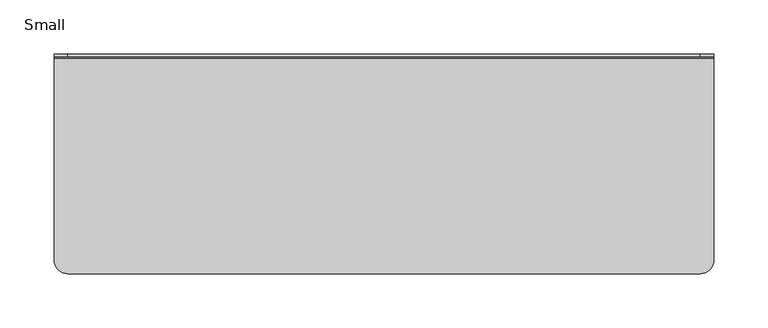
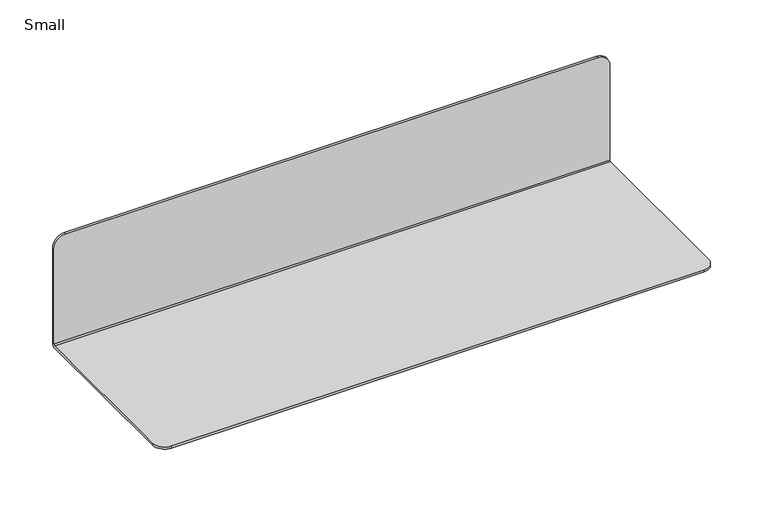
"""IFC4 building model written with IfcOpenShell, lengths in millimetres: furniture geometry, Small."""

from ifc_helpers import new_model, si_unit, frame, origin, place, context, project, spatial, polyline, circle_curve, source, transform, mapped, element, save
from ifc_brep_helpers import plane_surface, cylinder_surface, revolved_surface, advanced_brep


def small_f59df922(model_context):
    return source(origin(), model_context, "Body", "AdvancedBrep", [
        advanced_brep(
        [(304.8, 99.06, 3.81), (304.8, 99.06, 114.3), (292.1, 99.06, 127.0), (-292.1, 99.06, 127.0), (-304.8, 99.06, 114.3), (-304.8, 99.06, 3.81), (-304.8, 101.6, 114.3), (-292.1, 101.6, 127.0), (292.1, 101.6, 127.0), (304.8, 101.6, 114.3), (304.8, 101.6, 2.54), (-304.8, 101.6, 2.54), (304.8, 97.79, 2.54), (304.8, -88.9, 2.54), (304.8, -88.9, 0.0), (304.8, 99.06, 0.0), (-304.8, 99.06, 0.0), (-304.8, -88.9, 0.0), (-304.8, -88.9, 2.54), (-304.8, 97.79, 2.54), (292.1, -101.6, 0.0), (-292.1, -101.6, 0.0), (-292.1, -101.6, 2.54), (292.1, -101.6, 2.54)],
        [
            (0, 1),
            (1, 2, circle_curve(frame((292.1, 99.06, 114.3), z_axis=(0.0, -1.0, 0.0), x_axis=(1.0, 0.0, 0.0)), 12.7)),
            (2, 3),
            (3, 4, circle_curve(frame((-292.1, 99.06, 114.3), z_axis=(0.0, -1.0, 0.0), x_axis=(1.0, 0.0, 0.0)), 12.7)),
            (4, 5),
            (5, 0),
            (6, 7, circle_curve(frame((-292.1, 101.6, 114.3), z_axis=(0.0, 1.0, 0.0), x_axis=(1.0, 0.0, 0.0)), 12.7)),
            (7, 8),
            (8, 9, circle_curve(frame((292.1, 101.6, 114.3), z_axis=(0.0, 1.0, 0.0), x_axis=(1.0, 0.0, 0.0)), 12.7)),
            (9, 10),
            (10, 11),
            (11, 6),
            (0, 12, circle_curve(frame((304.8, 97.79, 3.81), z_axis=(-1.0, 0.0, 0.0), x_axis=(0.0, 1.0, 0.0)), 1.27)),
            (12, 13),
            (13, 14),
            (14, 15),
            (15, 10, circle_curve(frame((304.8, 99.06, 2.54), z_axis=(1.0, 0.0, 0.0), x_axis=(0.0, 1.0, 0.0)), 2.54)),
            (9, 1),
            (8, 2),
            (7, 3),
            (6, 4),
            (11, 16, circle_curve(frame((-304.8, 99.06, 2.54), z_axis=(-1.0, 0.0, 0.0), x_axis=(0.0, 1.0, 0.0)), 2.54)),
            (16, 17),
            (17, 18),
            (18, 19),
            (19, 5, circle_curve(frame((-304.8, 97.79, 3.81), z_axis=(1.0, 0.0, 0.0), x_axis=(0.0, 1.0, 0.0)), 1.27)),
            (19, 12),
            (14, 20, circle_curve(frame((292.1, -88.9, 0.0), z_axis=(0.0, 0.0, -1.0), x_axis=(1.0, 0.0, 0.0)), 12.7)),
            (20, 21),
            (21, 17, circle_curve(frame((-292.1, -88.9, 0.0), z_axis=(0.0, 0.0, -1.0), x_axis=(1.0, 0.0, 0.0)), 12.7)),
            (16, 15),
            (18, 22, circle_curve(frame((-292.1, -88.9, 2.54), z_axis=(0.0, 0.0, 1.0), x_axis=(1.0, 0.0, 0.0)), 12.7)),
            (22, 23),
            (23, 13, circle_curve(frame((292.1, -88.9, 2.54), z_axis=(0.0, 0.0, 1.0), x_axis=(1.0, 0.0, 0.0)), 12.7)),
            (21, 22),
            (20, 23),
        ],
        [
            plane_surface(frame((-304.8, 99.06, 3.81), z_axis=(0.0, -1.0, 0.0), x_axis=(1.0, 0.0, 0.0))),
            plane_surface(frame((-304.8, 101.6, 3.81), z_axis=(0.0, 1.0, 0.0), x_axis=(-1.0, 0.0, 0.0))),
            plane_surface(frame((304.8, 99.06, 3.81), z_axis=(1.0, 0.0, 0.0), x_axis=(0.0, 1.0, 0.0))),
            cylinder_surface(frame((292.1, 101.6, 114.3), z_axis=(0.0, -1.0, 0.0), x_axis=(1.0, 0.0, 0.0)), 12.7),
            plane_surface(frame((292.1, 99.06, 127.0), z_axis=(0.0, 0.0, 1.0), x_axis=(0.0, 1.0, 0.0))),
            cylinder_surface(frame((-292.1, 101.6, 114.3), z_axis=(0.0, -1.0, 0.0), x_axis=(1.0, 0.0, 0.0)), 12.7),
            plane_surface(frame((-304.8, 99.06, 114.3), z_axis=(-1.0, 0.0, 0.0), x_axis=(0.0, 1.0, 0.0))),
            revolved_surface(polyline([(-304.8, 99.06, 3.81), (304.8, 99.06, 3.81)]), (-304.8, 97.79, 3.81), (-1.0, 0.0, 0.0)),
            plane_surface(frame((304.8, 97.79, 0.0), z_axis=(0.0, 0.0, -1.0), x_axis=(-1.0, 0.0, 0.0))),
            cylinder_surface(frame((-304.8, 99.06, 2.54), z_axis=(1.0, 0.0, 0.0), x_axis=(0.0, 1.0, 0.0)), 2.54),
            plane_surface(frame((-279.4, -88.9, 2.54), z_axis=(0.0, 0.0, 1.0), x_axis=(0.0, 1.0, 0.0))),
            cylinder_surface(frame((-292.1, -88.9, 0.0), z_axis=(0.0, 0.0, 1.0), x_axis=(1.0, 0.0, 0.0)), 12.7),
            plane_surface(frame((-292.1, -101.6, 2.54), z_axis=(0.0, -1.0, 0.0), x_axis=(0.0, 0.0, -1.0))),
            cylinder_surface(frame((292.1, -88.9, 0.0), z_axis=(0.0, 0.0, 1.0), x_axis=(1.0, 0.0, 0.0)), 12.7),
        ],
        [
            (0, [[1, 2, 3, 4, 5, 6]]),
            (1, [[7, 8, 9, 10, 11, 12]]),
            (2, [[-1, 13, 14, 15, 16, 17, -10, 18]]),
            (3, [[-2, -18, -9, 19]]),
            (4, [[-3, -19, -8, 20]]),
            (5, [[-4, -20, -7, 21]]),
            (6, [[-5, -21, -12, 22, 23, 24, 25, 26]]),
            (7, [[-13, -6, -26, 27]]),
            (8, [[-16, 28, 29, 30, -23, 31]]),
            (9, [[-17, -31, -22, -11]]),
            (10, [[32, 33, 34, -14, -27, -25]]),
            (11, [[-32, -24, -30, 35]]),
            (12, [[-33, -35, -29, 36]]),
            (13, [[-34, -36, -28, -15]]),
        ],
    ),
    ])


if __name__ == "__main__":
    model = new_model("IFC4")
    model_context = context("Model", 3, world=origin())
    ifc_project = project(units=[si_unit("LENGTHUNIT", "METRE", prefix="MILLI")], contexts=[model_context])
    site = spatial("IfcSite", under=ifc_project)
    building = spatial("IfcBuilding", under=site)
    placement = place(None, origin())
    small_shape = small_f59df922(model_context)
    element("IfcFurniture", 1, ObjectType="Small", at=placement, inside=building, context=model_context, shape_type="MappedRepresentation", body=[
        mapped(small_shape, transform((0.0, 0.0, 0.0), x_axis=(1.0, 0.0, 0.0), y_axis=(0.0, 1.0, 0.0), z_axis=(0.0, 0.0, 1.0))),
    ])
    save(model, "model.ifc")
